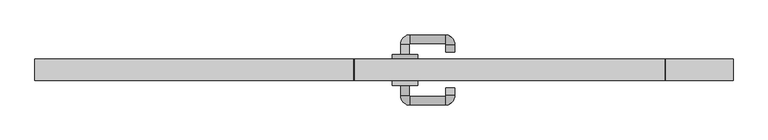
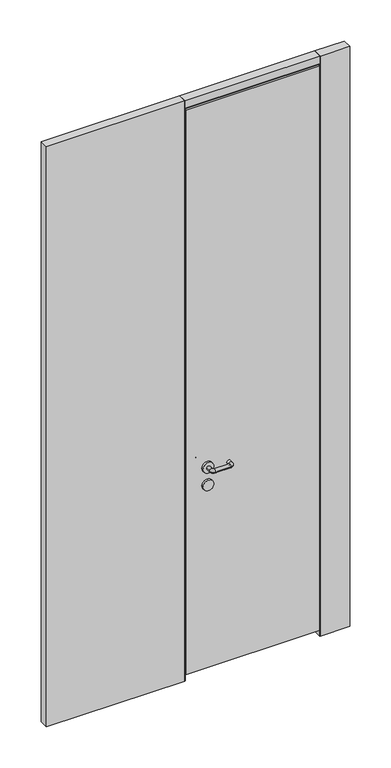
"""IFC4 building model written with IfcOpenShell, lengths in millimetres: proxy geometry."""

from ifc_helpers import new_model, si_unit, point, frame, frame_2d, origin, origin_with_axes, place, context, project, spatial, polyline, circle_curve, ellipse_curve, trimmed, segment, composite_curve, outline, extrude, source, transform, mapped, element, save
from ifc_brep_helpers import plane_surface, cylinder_surface, revolved_surface, advanced_brep


def specialty_equipment_27a9543a(model_context):
    return source(origin(), model_context, "Body", "SolidModel", [
        extrude(outline(composite_curve([segment(trimmed(circle_curve(frame_2d((914.8272444, 232.0)), 25.0), [point((914.8272444, 207.0))], [point((914.8272444, 257.0))], False, "CARTESIAN"), True, "CONTINUOUS"), segment(trimmed(circle_curve(frame_2d((914.8272444, 232.0)), 25.0), [point((914.8272444, 257.0))], [point((914.8272444, 207.0))], False, "CARTESIAN"), True, "CONTINUOUS")], self_intersect=False)), frame((0.0, 42.0, 0.0), z_axis=(0.0, 1.0, 0.0), x_axis=(0.0, 0.0, 1.0)), (0.0, 0.0, 1.0), 10.0),
        advanced_brep(
        [(240.75, 52.0, 1000.0), (223.25, 52.0, 1000.0), (223.25, 72.0, 1000.0), (240.75, 72.0, 1000.0), (242.0, 73.25, 1000.0), (242.0, 90.75, 1000.0), (312.0, 90.75, 1000.0), (312.0, 73.25, 1000.0), (313.25, 72.0, 1000.0), (330.75, 72.0, 1000.0), (313.25, 57.0, 1000.0), (330.75, 57.0, 1000.0)],
        [
            (0, 1, circle_curve(frame((232.0, 52.0, 1000.0), z_axis=(0.0, -1.0, 0.0), x_axis=(-1.0, 0.0, 0.0)), 8.75)),
            (1, 0, circle_curve(frame((232.0, 52.0, 1000.0), z_axis=(0.0, -1.0, 0.0), x_axis=(-1.0, 0.0, 0.0)), 8.75)),
            (1, 2),
            (2, 3, circle_curve(frame((232.0, 72.0, 1000.0), z_axis=(0.0, -1.0, 0.0), x_axis=(-1.0, 0.0, 0.0)), 8.75)),
            (3, 0),
            (3, 2, circle_curve(frame((232.0, 72.0, 1000.0), z_axis=(0.0, -1.0, 0.0), x_axis=(-1.0, 0.0, 0.0)), 8.75)),
            (4, 3, circle_curve(frame((242.0, 72.0, 1000.0), z_axis=(0.0, 0.0, 1.0), x_axis=(-1.0, 0.0, 0.0)), 1.25)),
            (2, 5, circle_curve(frame((242.0, 72.0, 1000.0), z_axis=(0.0, 0.0, -1.0), x_axis=(-1.0, 0.0, 0.0)), 18.75)),
            (5, 4, circle_curve(frame((242.0, 82.0, 1000.0), z_axis=(-1.0, 0.0, 0.0), x_axis=(0.0, 1.0, 0.0)), 8.75)),
            (4, 5, circle_curve(frame((242.0, 82.0, 1000.0), z_axis=(-1.0, 0.0, 0.0), x_axis=(0.0, 1.0, 0.0)), 8.75)),
            (5, 6),
            (6, 7, circle_curve(frame((312.0, 82.0, 1000.0), z_axis=(-1.0, 0.0, 0.0), x_axis=(0.0, 1.0, 0.0)), 8.75)),
            (7, 4),
            (7, 6, circle_curve(frame((312.0, 82.0, 1000.0), z_axis=(-1.0, 0.0, 0.0), x_axis=(0.0, 1.0, 0.0)), 8.75)),
            (8, 7, circle_curve(frame((312.0, 72.0, 1000.0), z_axis=(0.0, 0.0, 1.0), x_axis=(0.0, 1.0, 0.0)), 1.25)),
            (6, 9, circle_curve(frame((312.0, 72.0, 1000.0), z_axis=(0.0, 0.0, -1.0), x_axis=(0.0, 1.0, 0.0)), 18.75)),
            (9, 8, circle_curve(frame((322.0, 72.0, 1000.0), z_axis=(0.0, 1.0, 0.0), x_axis=(1.0, 0.0, 0.0)), 8.75)),
            (8, 9, circle_curve(frame((322.0, 72.0, 1000.0), z_axis=(0.0, 1.0, 0.0), x_axis=(1.0, 0.0, 0.0)), 8.75)),
            (10, 11, circle_curve(frame((322.0, 57.0, 1000.0), z_axis=(0.0, -1.0, 0.0), x_axis=(1.0, 0.0, 0.0)), 8.75)),
            (11, 10, circle_curve(frame((322.0, 57.0, 1000.0), z_axis=(0.0, -1.0, 0.0), x_axis=(1.0, 0.0, 0.0)), 8.75)),
            (9, 11),
            (10, 8),
        ],
        [
            plane_surface(frame((232.0, 52.0, 1000.0), z_axis=(0.0, -1.0, 0.0), x_axis=(0.0, 0.0, 1.0))),
            cylinder_surface(frame((232.0, 52.0, 1000.0), z_axis=(0.0, -1.0, 0.0), x_axis=(-1.0, 0.0, 0.0)), 8.75),
            revolved_surface(trimmed(ellipse_curve(frame((232.0, 72.0, 1000.0), z_axis=(0.0, -1.0, 0.0), x_axis=(-1.0, 0.0, 0.0)), 8.75, 8.75), [point((223.25, 72.0, 1000.0))], [point((240.75, 72.0, 1000.0))], True, "CARTESIAN"), (242.0, 72.0, 1000.0), (0.0, 0.0, -1.0)),
            revolved_surface(trimmed(ellipse_curve(frame((232.0, 72.0, 1000.0), z_axis=(0.0, -1.0, 0.0), x_axis=(-1.0, 0.0, 0.0)), 8.75, 8.75), [point((240.75, 72.0, 1000.0))], [point((223.25, 72.0, 1000.0))], True, "CARTESIAN"), (242.0, 72.0, 1000.0), (0.0, 0.0, -1.0)),
            cylinder_surface(frame((242.0, 82.0, 1000.0), z_axis=(-1.0, 0.0, 0.0), x_axis=(0.0, 1.0, 0.0)), 8.75),
            revolved_surface(trimmed(ellipse_curve(frame((312.0, 82.0, 1000.0), z_axis=(-1.0, 0.0, 0.0), x_axis=(0.0, 1.0, 0.0)), 8.75, 8.75), [point((312.0, 90.75, 1000.0))], [point((312.0, 73.25, 1000.0))], True, "CARTESIAN"), (312.0, 72.0, 1000.0), (0.0, 0.0, -1.0)),
            revolved_surface(trimmed(ellipse_curve(frame((312.0, 82.0, 1000.0), z_axis=(-1.0, 0.0, 0.0), x_axis=(0.0, 1.0, 0.0)), 8.75, 8.75), [point((312.0, 73.25, 1000.0))], [point((312.0, 90.75, 1000.0))], True, "CARTESIAN"), (312.0, 72.0, 1000.0), (0.0, 0.0, -1.0)),
            plane_surface(frame((322.0, 57.0, 1000.0), z_axis=(0.0, -1.0, 0.0), x_axis=(0.0, 0.0, 1.0))),
            cylinder_surface(frame((322.0, 72.0, 1000.0), z_axis=(0.0, 1.0, 0.0), x_axis=(1.0, 0.0, 0.0)), 8.75),
        ],
        [
            (0, [[1, 2]]),
            (1, [[-2, 3, 4, 5]]),
            (1, [[-1, -5, 6, -3]]),
            (2, [[7, -4, 8, 9]]),
            (3, [[-8, -6, -7, 10]]),
            (4, [[-9, 11, 12, 13]]),
            (4, [[-10, -13, 14, -11]]),
            (5, [[15, -12, 16, 17]]),
            (6, [[-16, -14, -15, 18]]),
            (7, [[19, 20]]),
            (8, [[-17, 21, -19, 22]]),
            (8, [[-18, -22, -20, -21]]),
        ],
    ),
        extrude(outline(composite_curve([segment(trimmed(circle_curve(frame_2d((1000.0, 232.0)), 25.0), [point((1000.0, 207.0))], [point((1000.0, 257.0))], False, "CARTESIAN"), True, "CONTINUOUS"), segment(trimmed(circle_curve(frame_2d((1000.0, 232.0)), 25.0), [point((1000.0, 257.0))], [point((1000.0, 207.0))], False, "CARTESIAN"), True, "CONTINUOUS")], self_intersect=False)), frame((0.0, 42.0, 0.0), z_axis=(0.0, 1.0, 0.0), x_axis=(0.0, 0.0, 1.0)), (0.0, 0.0, 1.0), 10.0),
        extrude(outline(composite_curve([segment(trimmed(circle_curve(frame_2d((914.8272444, 232.0)), 25.0), [point((914.8272444, 207.0))], [point((914.8272444, 257.0))], False, "CARTESIAN"), True, "CONTINUOUS"), segment(trimmed(circle_curve(frame_2d((914.8272444, 232.0)), 25.0), [point((914.8272444, 257.0))], [point((914.8272444, 207.0))], False, "CARTESIAN"), True, "CONTINUOUS")], self_intersect=False)), frame((0.0, -10.0, 0.0), z_axis=(0.0, 1.0, 0.0), x_axis=(0.0, 0.0, 1.0)), (0.0, 0.0, 1.0), 10.0),
        advanced_brep(
        [(223.25, -10.0, 1000.0), (240.75, -10.0, 1000.0), (223.25, -30.0, 1000.0), (240.75, -30.0, 1000.0), (242.0, -31.25, 1000.0), (242.0, -48.75, 1000.0), (312.0, -48.75, 1000.0), (312.0, -31.25, 1000.0), (313.25, -30.0, 1000.0), (330.75, -30.0, 1000.0), (330.75, -15.0, 1000.0), (313.25, -15.0, 1000.0)],
        [
            (0, 1, circle_curve(frame((232.0, -10.0, 1000.0), z_axis=(0.0, 1.0, 0.0), x_axis=(1.0, 0.0, 0.0)), 8.75)),
            (1, 0, circle_curve(frame((232.0, -10.0, 1000.0), z_axis=(0.0, 1.0, 0.0), x_axis=(1.0, 0.0, 0.0)), 8.75)),
            (0, 2),
            (2, 3, circle_curve(frame((232.0, -30.0, 1000.0), z_axis=(0.0, 1.0, 0.0), x_axis=(1.0, 0.0, 0.0)), 8.75)),
            (3, 1),
            (3, 2, circle_curve(frame((232.0, -30.0, 1000.0), z_axis=(0.0, 1.0, 0.0), x_axis=(1.0, 0.0, 0.0)), 8.75)),
            (4, 3, circle_curve(frame((242.0, -30.0, 1000.0), z_axis=(0.0, 0.0, -1.0), x_axis=(-1.0, 0.0, 0.0)), 1.25)),
            (2, 5, circle_curve(frame((242.0, -30.0, 1000.0), z_axis=(0.0, 0.0, 1.0), x_axis=(-1.0, 0.0, 0.0)), 18.75)),
            (5, 4, circle_curve(frame((242.0, -40.0, 1000.0), z_axis=(-1.0, 0.0, 0.0), x_axis=(0.0, 1.0, 0.0)), 8.75)),
            (4, 5, circle_curve(frame((242.0, -40.0, 1000.0), z_axis=(-1.0, 0.0, 0.0), x_axis=(0.0, 1.0, 0.0)), 8.75)),
            (5, 6),
            (6, 7, circle_curve(frame((312.0, -40.0, 1000.0), z_axis=(-1.0, 0.0, 0.0), x_axis=(0.0, 1.0, 0.0)), 8.75)),
            (7, 4),
            (7, 6, circle_curve(frame((312.0, -40.0, 1000.0), z_axis=(-1.0, 0.0, 0.0), x_axis=(0.0, 1.0, 0.0)), 8.75)),
            (8, 7, circle_curve(frame((312.0, -30.0, 1000.0), z_axis=(0.0, 0.0, -1.0), x_axis=(0.0, -1.0, 0.0)), 1.25)),
            (6, 9, circle_curve(frame((312.0, -30.0, 1000.0), z_axis=(0.0, 0.0, 1.0), x_axis=(0.0, -1.0, 0.0)), 18.75)),
            (9, 8, circle_curve(frame((322.0, -30.0, 1000.0), z_axis=(0.0, -1.0, 0.0), x_axis=(-1.0, 0.0, 0.0)), 8.75)),
            (8, 9, circle_curve(frame((322.0, -30.0, 1000.0), z_axis=(0.0, -1.0, 0.0), x_axis=(-1.0, 0.0, 0.0)), 8.75)),
            (10, 11, circle_curve(frame((322.0, -15.0, 1000.0), z_axis=(0.0, 1.0, 0.0), x_axis=(-1.0, 0.0, 0.0)), 8.75)),
            (11, 10, circle_curve(frame((322.0, -15.0, 1000.0), z_axis=(0.0, 1.0, 0.0), x_axis=(-1.0, 0.0, 0.0)), 8.75)),
            (9, 10),
            (11, 8),
        ],
        [
            plane_surface(frame((232.0, -10.0, 1000.0), z_axis=(0.0, 1.0, 0.0), x_axis=(0.0, 0.0, 1.0))),
            cylinder_surface(frame((232.0, -10.0, 1000.0), z_axis=(0.0, 1.0, 0.0), x_axis=(1.0, 0.0, 0.0)), 8.75),
            revolved_surface(trimmed(ellipse_curve(frame((232.0, -30.0, 1000.0), z_axis=(0.0, 1.0, 0.0), x_axis=(1.0, 0.0, 0.0)), 8.75, 8.75), [point((223.25, -30.0, 1000.0))], [point((240.75, -30.0, 1000.0))], True, "CARTESIAN"), (242.0, -30.0, 1000.0), (0.0, 0.0, 1.0)),
            revolved_surface(trimmed(ellipse_curve(frame((232.0, -30.0, 1000.0), z_axis=(0.0, 1.0, 0.0), x_axis=(1.0, 0.0, 0.0)), 8.75, 8.75), [point((240.75, -30.0, 1000.0))], [point((223.25, -30.0, 1000.0))], True, "CARTESIAN"), (242.0, -30.0, 1000.0), (0.0, 0.0, 1.0)),
            cylinder_surface(frame((242.0, -40.0, 1000.0), z_axis=(-1.0, 0.0, 0.0), x_axis=(0.0, 1.0, 0.0)), 8.75),
            revolved_surface(trimmed(ellipse_curve(frame((312.0, -40.0, 1000.0), z_axis=(-1.0, 0.0, 0.0), x_axis=(0.0, 1.0, 0.0)), 8.75, 8.75), [point((312.0, -48.75, 1000.0))], [point((312.0, -31.25, 1000.0))], True, "CARTESIAN"), (312.0, -30.0, 1000.0), (0.0, 0.0, 1.0)),
            revolved_surface(trimmed(ellipse_curve(frame((312.0, -40.0, 1000.0), z_axis=(-1.0, 0.0, 0.0), x_axis=(0.0, 1.0, 0.0)), 8.75, 8.75), [point((312.0, -31.25, 1000.0))], [point((312.0, -48.75, 1000.0))], True, "CARTESIAN"), (312.0, -30.0, 1000.0), (0.0, 0.0, 1.0)),
            plane_surface(frame((322.0, -15.0, 1000.0), z_axis=(0.0, 1.0, 0.0), x_axis=(0.0, 0.0, 1.0))),
            cylinder_surface(frame((322.0, -30.0, 1000.0), z_axis=(0.0, -1.0, 0.0), x_axis=(-1.0, 0.0, 0.0)), 8.75),
        ],
        [
            (0, [[1, 2]]),
            (1, [[-1, 3, 4, 5]]),
            (1, [[-2, -5, 6, -3]]),
            (2, [[7, -4, 8, 9]]),
            (3, [[-8, -6, -7, 10]]),
            (4, [[-9, 11, 12, 13]]),
            (4, [[-10, -13, 14, -11]]),
            (5, [[15, -12, 16, 17]]),
            (6, [[-16, -14, -15, 18]]),
            (7, [[19, 20]]),
            (8, [[-17, 21, -20, 22]]),
            (8, [[-18, -22, -19, -21]]),
        ],
    ),
        extrude(outline(composite_curve([segment(trimmed(circle_curve(frame_2d((1000.0, 232.0)), 25.0), [point((1000.0, 207.0))], [point((1000.0, 257.0))], False, "CARTESIAN"), True, "CONTINUOUS"), segment(trimmed(circle_curve(frame_2d((1000.0, 232.0)), 25.0), [point((1000.0, 257.0))], [point((1000.0, 207.0))], False, "CARTESIAN"), True, "CONTINUOUS")], self_intersect=False)), frame((0.0, -10.0, 0.0), z_axis=(0.0, 1.0, 0.0), x_axis=(0.0, 0.0, 1.0)), (0.0, 0.0, 1.0), 10.0),
        extrude(outline(polyline([(747.0, 0.0), (132.0, 0.0), (132.0, 42.0), (747.0, 42.0), (747.0, 0.0)])), frame((0.0, 0.0, 2762.0), z_axis=(0.0, 0.0, 1.0), x_axis=(1.0, 0.0, 0.0)), (0.0, 0.0, 1.0), 1.3),
        extrude(outline(polyline([(747.0, 0.0), (132.0, 0.0), (132.0, 42.0), (747.0, 42.0), (747.0, 0.0)])), frame((0.0, 0.0, 2763.3), z_axis=(0.0, 0.0, 1.0), x_axis=(1.0, 0.0, 0.0)), (0.0, 0.0, 1.0), 36.7),
        extrude(outline(polyline([(133.3, 42.0), (133.3, 0.0), (132.0, 0.0), (132.0, 42.0), (133.3, 42.0)])), frame((0.0, 0.0, 30.0), z_axis=(0.0, 0.0, 1.0), x_axis=(1.0, 0.0, 0.0)), (0.0, 0.0, 1.0), 2724.5),
        extrude(outline(polyline([(745.7, 42.0), (747.0, 42.0), (747.0, 0.0), (745.7, 0.0), (745.7, 42.0)])), frame((0.0, 0.0, 30.0), z_axis=(0.0, 0.0, 1.0), x_axis=(1.0, 0.0, 0.0)), (0.0, 0.0, 1.0), 2724.5),
        extrude(outline(polyline([(745.7, 42.0), (745.7, 0.0), (133.3, 0.0), (133.3, 42.0), (745.7, 42.0)])), frame((0.0, 0.0, 30.0), z_axis=(0.0, 0.0, 1.0), x_axis=(1.0, 0.0, 0.0)), (0.0, 0.0, 1.0), 2724.5),
        extrude(outline(polyline([(130.7, 42.0), (132.0, 42.0), (132.0, 0.0), (130.7, 0.0), (130.7, 42.0)])), origin_with_axes(), (0.0, 0.0, 1.0), 2800.0),
        extrude(outline(polyline([(748.3, 42.0), (748.3, 0.0), (747.0, 0.0), (747.0, 42.0), (748.3, 42.0)])), origin_with_axes(), (0.0, 0.0, 1.0), 2800.0),
        extrude(outline(polyline([(883.0, 0.0), (748.3, 0.0), (748.3, 42.0), (883.0, 42.0), (883.0, 0.0)])), origin_with_axes(), (0.0, 0.0, 1.0), 2800.0),
        extrude(outline(polyline([(-502.0, 42.0), (130.7, 42.0), (130.7, 0.0), (-502.0, 0.0), (-502.0, 42.0)])), origin_with_axes(), (0.0, 0.0, 1.0), 2800.0),
    ])


if __name__ == "__main__":
    model = new_model("IFC4")
    model_context = context("Model", 3, world=origin())
    ifc_project = project(units=[si_unit("LENGTHUNIT", "METRE", prefix="MILLI")], contexts=[model_context])
    site = spatial("IfcSite", under=ifc_project)
    building = spatial("IfcBuilding", under=site)
    placement = place(None, origin())
    specialty_equipment_shape = specialty_equipment_27a9543a(model_context)
    element("IfcBuildingElementProxy", 1, Name="Specialty Equipment", at=placement, inside=building, context=model_context, shape_type="MappedRepresentation", body=[
        mapped(specialty_equipment_shape, transform((0.0, 0.0, 0.0), x_axis=(1.0, 0.0, 0.0), y_axis=(0.0, 1.0, 0.0), z_axis=(0.0, 0.0, 1.0))),
    ])
    save(model, "model.ifc")
